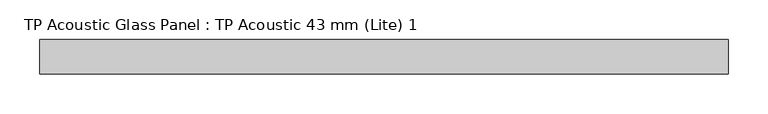
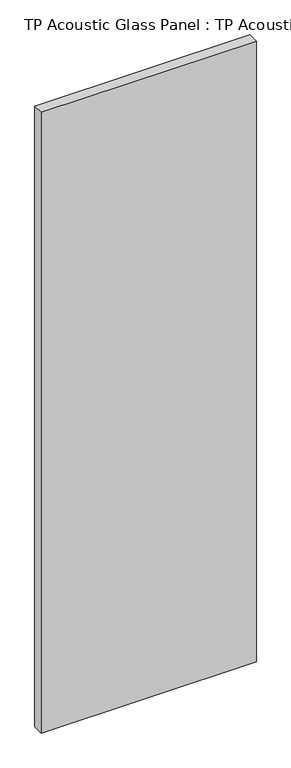
"""IFC4 building model written with IfcOpenShell, lengths in millimetres: plate geometry, TP Acoustic Glass Panel : TP Acoustic 43 mm (Lite) 1."""

from ifc_helpers import new_model, si_unit, origin, origin_with_axes, place, context, project, spatial, polyline, outline, extrude, source, transform, mapped, element, save


def tp_acoustic_glass_panel_tp_acoustic_43_mm_lite_1_c8ac8281(model_context):
    return source(origin(), model_context, "Body", "SweptSolid", [
        extrude(outline(polyline([(431.375, 21.5), (431.375, -21.5), (-431.375, -21.5), (-431.375, 21.5), (431.375, 21.5)])), origin_with_axes(), (0.0, 0.0, 1.0), 2628.0),
    ])


if __name__ == "__main__":
    model = new_model("IFC4")
    model_context = context("Model", 3, world=origin())
    ifc_project = project(units=[si_unit("LENGTHUNIT", "METRE", prefix="MILLI")], contexts=[model_context])
    site = spatial("IfcSite", under=ifc_project)
    building = spatial("IfcBuilding", under=site)
    placement = place(None, origin())
    tp_acoustic_glass_panel_tp_acoustic_43_mm_lite_1_shape = tp_acoustic_glass_panel_tp_acoustic_43_mm_lite_1_c8ac8281(model_context)
    element("IfcPlate", 1, ObjectType="TP Acoustic Glass Panel : TP Acoustic 43 mm (Lite) 1", at=placement, inside=building, context=model_context, shape_type="MappedRepresentation", body=[
        mapped(tp_acoustic_glass_panel_tp_acoustic_43_mm_lite_1_shape, transform((0.0, 0.0, 0.0), x_axis=(1.0, 0.0, 0.0), y_axis=(0.0, 1.0, 0.0), z_axis=(0.0, 0.0, 1.0))),
    ])
    save(model, "model.ifc")
